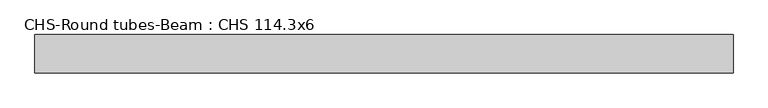
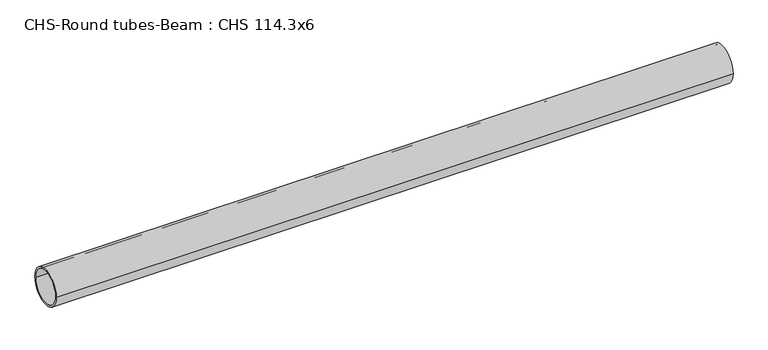
"""IFC4 building model written with IfcOpenShell, lengths in millimetres: beam geometry, CHS-Round tubes-Beam : CHS 114.3x6."""

import ifcopenshell
import ifcopenshell.guid

model = None  # the IFC model being written
_history = None  # IfcOwnerHistory: only IFC2X3 demands one
_inside = {}  # id of a spatial element -> (the spatial element, [elements in it])
_under = {}  # id of a project, library or spatial element -> (it, [spatial elements below it])
_declared = {}  # id of a project -> (the project, [libraries it declares])
_typed = {}  # id of a type object -> (the type object, [elements of that type])
_made_of = {}  # id of a material, layer set ... -> (it, [elements and type objects made of it])


def new_model(schema):
    """Start an empty IFC model of exactly this schema.

    Asked for "IFC4X3", IfcOpenShell would pick the latest addendum, in which some entities
    have other attributes; the version numbers below select the first issue.
    IFC2X3 requires an IfcOwnerHistory on every rooted entity: one is made here for all.
    """
    global model, _history
    if schema == "IFC4X3":
        model = ifcopenshell.file(schema_version=(4, 3, 0, 0))
    else:
        model = ifcopenshell.file(schema=schema)
    _inside.clear()
    _under.clear()
    _declared.clear()
    _typed.clear()
    _made_of.clear()
    _history = None
    if model.schema == "IFC2X3":
        org = make("IfcOrganization", Name="unknown")
        user = make(
            "IfcPersonAndOrganization",
            ThePerson=make("IfcPerson", FamilyName="unknown"),
            TheOrganization=org,
        )
        app = make(
            "IfcApplication",
            ApplicationDeveloper=org,
            Version="unknown",
            ApplicationFullName="unknown",
            ApplicationIdentifier="unknown",
        )
        _history = make(
            "IfcOwnerHistory",
            OwningUser=user,
            OwningApplication=app,
            ChangeAction="ADDED",
            CreationDate=0,
        )
    return model


def make(cls, **values):
    """One entity of the class cls with the attributes given. An attribute that is None is left unset."""
    return model.create_entity(
        cls, **{name: value for name, value in values.items() if value is not None}
    )


def rooted(cls, **values):
    """An entity with a GlobalId (a new one), such as an element, a storey or a relation."""
    return make(cls, GlobalId=ifcopenshell.guid.new(), OwnerHistory=_history, **values)


def si_unit(unit_type, name, prefix=None):
    """IfcSIUnit, for example si_unit("LENGTHUNIT", "METRE", prefix="MILLI")."""
    return make("IfcSIUnit", UnitType=unit_type, Prefix=prefix, Name=name)


def assignment(units):
    """IfcUnitAssignment: the units of a project."""
    return None if units is None else make("IfcUnitAssignment", Units=units)


def point(xyz):
    """IfcCartesianPoint."""
    return None if xyz is None else make("IfcCartesianPoint", Coordinates=xyz)


def direction(xyz):
    """IfcDirection."""
    return None if xyz is None else make("IfcDirection", DirectionRatios=xyz)


def frame(location, z_axis=None, x_axis=None):
    """IfcAxis2Placement3D, a coordinate frame: its origin and axes. An axis left out is left unset."""
    return make(
        "IfcAxis2Placement3D",
        Location=point(location),
        Axis=direction(z_axis),
        RefDirection=direction(x_axis),
    )


def frame_2d(location, x_axis=None):
    """IfcAxis2Placement2D, a coordinate frame in the plane: its origin and x axis."""
    return make(
        "IfcAxis2Placement2D", Location=point(location), RefDirection=direction(x_axis)
    )


def origin():
    """The frame at (0, 0, 0) with its axes left unset."""
    return frame((0.0, 0.0, 0.0))


def origin_2d():
    """The frame at (0, 0) in the plane with its x axis left unset."""
    return frame_2d((0.0, 0.0))


def place(relative_to, where):
    """IfcLocalPlacement: puts the frame where relative to a parent placement (None: the world)."""
    return make(
        "IfcLocalPlacement", PlacementRelTo=relative_to, RelativePlacement=where
    )


def context(
    kind, dimensions, precision=None, world=None, true_north=None, identifier=None
):
    """IfcGeometricRepresentationContext, for example the 3D "Model" context."""
    return make(
        "IfcGeometricRepresentationContext",
        ContextIdentifier=identifier,
        ContextType=kind,
        CoordinateSpaceDimension=dimensions,
        Precision=precision,
        WorldCoordinateSystem=world,
        TrueNorth=true_north,
    )


def project(units=None, contexts=None):
    """IfcProject with its units and contexts."""
    return rooted(
        "IfcProject",
        Name="project",
        RepresentationContexts=contexts,
        UnitsInContext=assignment(units),
    )


def spatial(cls, under=None, at=None, **own):
    """A site, building, storey or space (cls), placed at a placement, below another one or the project."""
    s = rooted(cls, ObjectPlacement=at, **own)
    if under is not None:
        _under.setdefault(under.id(), (under, []))[1].append(s)
    return s


def circle_curve(where, radius):
    """IfcCircle in the frame where."""
    return make("IfcCircle", Position=where, Radius=radius)


def trimmed(basis, trim1, trim2, sense, master):
    """IfcTrimmedCurve: the piece of a basis curve between two trims."""
    return make(
        "IfcTrimmedCurve",
        BasisCurve=basis,
        Trim1=trim1,
        Trim2=trim2,
        SenseAgreement=sense,
        MasterRepresentation=master,
    )


def segment(curve, same_sense, transition):
    """IfcCompositeCurveSegment."""
    return make(
        "IfcCompositeCurveSegment",
        Transition=transition,
        SameSense=same_sense,
        ParentCurve=curve,
    )


def composite_curve(segments, self_intersect=None):
    """IfcCompositeCurve: segments joined end to end."""
    return make("IfcCompositeCurve", Segments=segments, SelfIntersect=self_intersect)


def outline(outer, holes=None, kind="AREA"):
    """IfcArbitraryClosedProfileDef: a profile drawn as a closed curve; with holes, ...WithVoids."""
    if holes is None:
        return make("IfcArbitraryClosedProfileDef", ProfileType=kind, OuterCurve=outer)
    return make(
        "IfcArbitraryProfileDefWithVoids",
        ProfileType=kind,
        OuterCurve=outer,
        InnerCurves=holes,
    )


def extrude(swept, where, along, depth):
    """IfcExtrudedAreaSolid: the profile swept, set in the frame where, extruded along a direction by depth."""
    return make(
        "IfcExtrudedAreaSolid",
        SweptArea=swept,
        Position=where,
        ExtrudedDirection=direction(along),
        Depth=depth,
    )


def shape(context_of_items, identifier, shape_type, items):
    """IfcShapeRepresentation: the items that make up one representation, for example the "Body"."""
    return make(
        "IfcShapeRepresentation",
        ContextOfItems=context_of_items,
        RepresentationIdentifier=identifier,
        RepresentationType=shape_type,
        Items=items,
    )


def source(mapping_origin, context_of_items, identifier, shape_type, items):
    """IfcRepresentationMap: a shape defined once, which mapped items show again and again."""
    return make(
        "IfcRepresentationMap",
        MappingOrigin=mapping_origin,
        MappedRepresentation=shape(context_of_items, identifier, shape_type, items),
    )


def transform(
    local_origin,
    x_axis=None,
    y_axis=None,
    z_axis=None,
    scale=None,
    scale2=None,
    scale3=None,
    uniform=True,
):
    """IfcCartesianTransformationOperator3D, or its non-uniform kind. x_axis, y_axis, z_axis: its Axis1, 2, 3."""
    if uniform:
        return make(
            "IfcCartesianTransformationOperator3D",
            Axis1=direction(x_axis),
            Axis2=direction(y_axis),
            LocalOrigin=point(local_origin),
            Scale=scale,
            Axis3=direction(z_axis),
        )
    return make(
        "IfcCartesianTransformationOperator3DnonUniform",
        Axis1=direction(x_axis),
        Axis2=direction(y_axis),
        LocalOrigin=point(local_origin),
        Scale=scale,
        Axis3=direction(z_axis),
        Scale2=scale2,
        Scale3=scale3,
    )


def mapped(mapping_source, mapping_target):
    """IfcMappedItem: shows the shape of a source again, moved by a transform."""
    return make(
        "IfcMappedItem", MappingSource=mapping_source, MappingTarget=mapping_target
    )


def made_of(thing, what):
    """Note that an element or type object is made of a material, layer set ...; save() writes the relation."""
    if what is not None:
        _made_of.setdefault(what.id(), (what, []))[1].append(thing)
    return thing


def element(
    cls,
    number,
    at=None,
    inside=None,
    cuts=None,
    type_object=None,
    material=None,
    context=None,
    identifier="Body",
    shape_type=None,
    held_by="IfcProductDefinitionShape",
    body=None,
    shapes=None,
    **own,
):
    """One element of the class cls, such as IfcWall. Its Tag is "e" and its number.

    at: its placement. inside: the storey or other place that contains it. cuts: it is an
    opening in that element (IfcRelVoidsElement). A single representation is given by context,
    identifier, shape_type and body (its items); several are given by shapes. held_by: the class
    of the entity that holds the representations. save() writes the other relations.
    """
    e = rooted(cls, Tag="e%d" % number, ObjectPlacement=at, **own)
    if body is not None:
        shapes = [shape(context, identifier, shape_type, body)]
    if shapes is not None:
        e.Representation = make(held_by, Representations=shapes)
    if inside is not None:
        _inside.setdefault(inside.id(), (inside, []))[1].append(e)
    if cuts is not None:
        rooted(
            "IfcRelVoidsElement", RelatingBuildingElement=cuts, RelatedOpeningElement=e
        )
    if type_object is not None:
        _typed.setdefault(type_object.id(), (type_object, []))[1].append(e)
    return made_of(e, material)


def aggregate(whole, parts):
    """IfcRelAggregates: a whole, such as a stair, and the parts it consists of."""
    return rooted("IfcRelAggregates", RelatingObject=whole, RelatedObjects=parts)


def save(model, path):
    """Write the relations noted so far, then the file.

    IfcRelAggregates (storeys below a building ...), IfcRelContainedInSpatialStructure (elements
    in a storey), IfcRelDefinesByType, IfcRelAssociatesMaterial and IfcRelDeclares: one each for
    every whole, place, type object, material and project.
    """
    for whole, parts in _under.values():
        aggregate(whole, parts)
    for where, things in _inside.values():
        rooted(
            "IfcRelContainedInSpatialStructure",
            RelatedElements=things,
            RelatingStructure=where,
        )
    for kind, things in _typed.values():
        rooted("IfcRelDefinesByType", RelatedObjects=things, RelatingType=kind)
    for what, things in _made_of.values():
        rooted("IfcRelAssociatesMaterial", RelatedObjects=things, RelatingMaterial=what)
    for by, libraries in _declared.values():
        rooted("IfcRelDeclares", RelatingContext=by, RelatedDefinitions=libraries)
    model.write(path)


def chs_round_tubes_beam_chs_114_3x6_31ba5964(model_context):
    return source(origin(), model_context, "Body", "SweptSolid", [
        extrude(outline(composite_curve([segment(trimmed(circle_curve(origin_2d(), 57.15), [point((57.15, 0.0))], [point((-57.15, 0.0))], False, "CARTESIAN"), True, "CONTINUOUS"), segment(trimmed(circle_curve(origin_2d(), 57.15), [point((-57.15, 0.0))], [point((57.15, 0.0))], False, "CARTESIAN"), True, "CONTINUOUS")], self_intersect=False), holes=[composite_curve([segment(trimmed(circle_curve(origin_2d(), 51.15), [point((51.15, 0.0))], [point((-51.15, 0.0))], True, "CARTESIAN"), True, "CONTINUOUS"), segment(trimmed(circle_curve(origin_2d(), 51.15), [point((-51.15, 0.0))], [point((51.15, 0.0))], True, "CARTESIAN"), True, "CONTINUOUS")], self_intersect=False)]), frame((-1009.8202252, 0.0, 0.0), z_axis=(1.0, 0.0, 0.0), x_axis=(0.0, 1.0, 0.0)), (0.0, 0.0, 1.0), 2082.1419407),
    ])


if __name__ == "__main__":
    model = new_model("IFC4")
    model_context = context("Model", 3, world=origin())
    ifc_project = project(units=[si_unit("LENGTHUNIT", "METRE", prefix="MILLI")], contexts=[model_context])
    site = spatial("IfcSite", under=ifc_project)
    building = spatial("IfcBuilding", under=site)
    placement = place(None, origin())
    chs_round_tubes_beam_chs_114_3x6_shape = chs_round_tubes_beam_chs_114_3x6_31ba5964(model_context)
    element("IfcBeam", 1, ObjectType="CHS-Round tubes-Beam : CHS 114.3x6", at=placement, inside=building, context=model_context, shape_type="MappedRepresentation", body=[
        mapped(chs_round_tubes_beam_chs_114_3x6_shape, transform((0.0, 0.0, 0.0), x_axis=(1.0, 0.0, 0.0), y_axis=(0.0, 1.0, 0.0), z_axis=(0.0, 0.0, 1.0))),
    ])
    save(model, "model.ifc")
